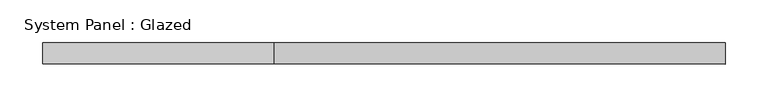
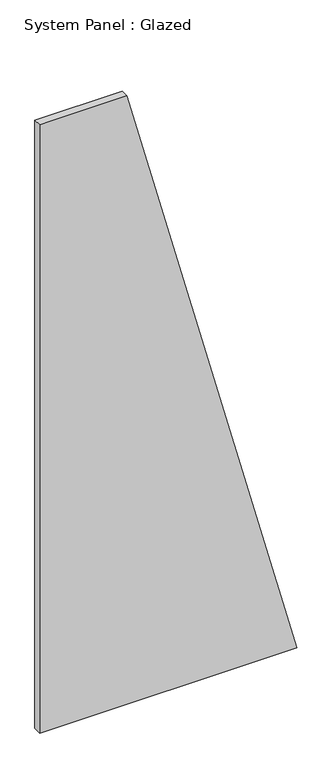
"""IFC4 building model written with IfcOpenShell, lengths in millimetres: plate geometry, System Panel : Glazed."""

import ifcopenshell
import ifcopenshell.guid

model = None  # the IFC model being written
_history = None  # IfcOwnerHistory: only IFC2X3 demands one
_inside = {}  # id of a spatial element -> (the spatial element, [elements in it])
_under = {}  # id of a project, library or spatial element -> (it, [spatial elements below it])
_declared = {}  # id of a project -> (the project, [libraries it declares])
_typed = {}  # id of a type object -> (the type object, [elements of that type])
_made_of = {}  # id of a material, layer set ... -> (it, [elements and type objects made of it])


def new_model(schema):
    """Start an empty IFC model of exactly this schema.

    Asked for "IFC4X3", IfcOpenShell would pick the latest addendum, in which some entities
    have other attributes; the version numbers below select the first issue.
    IFC2X3 requires an IfcOwnerHistory on every rooted entity: one is made here for all.
    """
    global model, _history
    if schema == "IFC4X3":
        model = ifcopenshell.file(schema_version=(4, 3, 0, 0))
    else:
        model = ifcopenshell.file(schema=schema)
    _inside.clear()
    _under.clear()
    _declared.clear()
    _typed.clear()
    _made_of.clear()
    _history = None
    if model.schema == "IFC2X3":
        org = make("IfcOrganization", Name="unknown")
        user = make(
            "IfcPersonAndOrganization",
            ThePerson=make("IfcPerson", FamilyName="unknown"),
            TheOrganization=org,
        )
        app = make(
            "IfcApplication",
            ApplicationDeveloper=org,
            Version="unknown",
            ApplicationFullName="unknown",
            ApplicationIdentifier="unknown",
        )
        _history = make(
            "IfcOwnerHistory",
            OwningUser=user,
            OwningApplication=app,
            ChangeAction="ADDED",
            CreationDate=0,
        )
    return model


def make(cls, **values):
    """One entity of the class cls with the attributes given. An attribute that is None is left unset."""
    return model.create_entity(
        cls, **{name: value for name, value in values.items() if value is not None}
    )


def rooted(cls, **values):
    """An entity with a GlobalId (a new one), such as an element, a storey or a relation."""
    return make(cls, GlobalId=ifcopenshell.guid.new(), OwnerHistory=_history, **values)


def si_unit(unit_type, name, prefix=None):
    """IfcSIUnit, for example si_unit("LENGTHUNIT", "METRE", prefix="MILLI")."""
    return make("IfcSIUnit", UnitType=unit_type, Prefix=prefix, Name=name)


def assignment(units):
    """IfcUnitAssignment: the units of a project."""
    return None if units is None else make("IfcUnitAssignment", Units=units)


def point(xyz):
    """IfcCartesianPoint."""
    return None if xyz is None else make("IfcCartesianPoint", Coordinates=xyz)


def direction(xyz):
    """IfcDirection."""
    return None if xyz is None else make("IfcDirection", DirectionRatios=xyz)


def frame(location, z_axis=None, x_axis=None):
    """IfcAxis2Placement3D, a coordinate frame: its origin and axes. An axis left out is left unset."""
    return make(
        "IfcAxis2Placement3D",
        Location=point(location),
        Axis=direction(z_axis),
        RefDirection=direction(x_axis),
    )


def origin():
    """The frame at (0, 0, 0) with its axes left unset."""
    return frame((0.0, 0.0, 0.0))


def place(relative_to, where):
    """IfcLocalPlacement: puts the frame where relative to a parent placement (None: the world)."""
    return make(
        "IfcLocalPlacement", PlacementRelTo=relative_to, RelativePlacement=where
    )


def context(
    kind, dimensions, precision=None, world=None, true_north=None, identifier=None
):
    """IfcGeometricRepresentationContext, for example the 3D "Model" context."""
    return make(
        "IfcGeometricRepresentationContext",
        ContextIdentifier=identifier,
        ContextType=kind,
        CoordinateSpaceDimension=dimensions,
        Precision=precision,
        WorldCoordinateSystem=world,
        TrueNorth=true_north,
    )


def project(units=None, contexts=None):
    """IfcProject with its units and contexts."""
    return rooted(
        "IfcProject",
        Name="project",
        RepresentationContexts=contexts,
        UnitsInContext=assignment(units),
    )


def spatial(cls, under=None, at=None, **own):
    """A site, building, storey or space (cls), placed at a placement, below another one or the project."""
    s = rooted(cls, ObjectPlacement=at, **own)
    if under is not None:
        _under.setdefault(under.id(), (under, []))[1].append(s)
    return s


def polyline(points):
    """IfcPolyline through the points."""
    return make("IfcPolyline", Points=[point(p) for p in points])


def outline(outer, holes=None, kind="AREA"):
    """IfcArbitraryClosedProfileDef: a profile drawn as a closed curve; with holes, ...WithVoids."""
    if holes is None:
        return make("IfcArbitraryClosedProfileDef", ProfileType=kind, OuterCurve=outer)
    return make(
        "IfcArbitraryProfileDefWithVoids",
        ProfileType=kind,
        OuterCurve=outer,
        InnerCurves=holes,
    )


def extrude(swept, where, along, depth):
    """IfcExtrudedAreaSolid: the profile swept, set in the frame where, extruded along a direction by depth."""
    return make(
        "IfcExtrudedAreaSolid",
        SweptArea=swept,
        Position=where,
        ExtrudedDirection=direction(along),
        Depth=depth,
    )


def shape(context_of_items, identifier, shape_type, items):
    """IfcShapeRepresentation: the items that make up one representation, for example the "Body"."""
    return make(
        "IfcShapeRepresentation",
        ContextOfItems=context_of_items,
        RepresentationIdentifier=identifier,
        RepresentationType=shape_type,
        Items=items,
    )


def source(mapping_origin, context_of_items, identifier, shape_type, items):
    """IfcRepresentationMap: a shape defined once, which mapped items show again and again."""
    return make(
        "IfcRepresentationMap",
        MappingOrigin=mapping_origin,
        MappedRepresentation=shape(context_of_items, identifier, shape_type, items),
    )


def transform(
    local_origin,
    x_axis=None,
    y_axis=None,
    z_axis=None,
    scale=None,
    scale2=None,
    scale3=None,
    uniform=True,
):
    """IfcCartesianTransformationOperator3D, or its non-uniform kind. x_axis, y_axis, z_axis: its Axis1, 2, 3."""
    if uniform:
        return make(
            "IfcCartesianTransformationOperator3D",
            Axis1=direction(x_axis),
            Axis2=direction(y_axis),
            LocalOrigin=point(local_origin),
            Scale=scale,
            Axis3=direction(z_axis),
        )
    return make(
        "IfcCartesianTransformationOperator3DnonUniform",
        Axis1=direction(x_axis),
        Axis2=direction(y_axis),
        LocalOrigin=point(local_origin),
        Scale=scale,
        Axis3=direction(z_axis),
        Scale2=scale2,
        Scale3=scale3,
    )


def mapped(mapping_source, mapping_target):
    """IfcMappedItem: shows the shape of a source again, moved by a transform."""
    return make(
        "IfcMappedItem", MappingSource=mapping_source, MappingTarget=mapping_target
    )


def made_of(thing, what):
    """Note that an element or type object is made of a material, layer set ...; save() writes the relation."""
    if what is not None:
        _made_of.setdefault(what.id(), (what, []))[1].append(thing)
    return thing


def element(
    cls,
    number,
    at=None,
    inside=None,
    cuts=None,
    type_object=None,
    material=None,
    context=None,
    identifier="Body",
    shape_type=None,
    held_by="IfcProductDefinitionShape",
    body=None,
    shapes=None,
    **own,
):
    """One element of the class cls, such as IfcWall. Its Tag is "e" and its number.

    at: its placement. inside: the storey or other place that contains it. cuts: it is an
    opening in that element (IfcRelVoidsElement). A single representation is given by context,
    identifier, shape_type and body (its items); several are given by shapes. held_by: the class
    of the entity that holds the representations. save() writes the other relations.
    """
    e = rooted(cls, Tag="e%d" % number, ObjectPlacement=at, **own)
    if body is not None:
        shapes = [shape(context, identifier, shape_type, body)]
    if shapes is not None:
        e.Representation = make(held_by, Representations=shapes)
    if inside is not None:
        _inside.setdefault(inside.id(), (inside, []))[1].append(e)
    if cuts is not None:
        rooted(
            "IfcRelVoidsElement", RelatingBuildingElement=cuts, RelatedOpeningElement=e
        )
    if type_object is not None:
        _typed.setdefault(type_object.id(), (type_object, []))[1].append(e)
    return made_of(e, material)


def aggregate(whole, parts):
    """IfcRelAggregates: a whole, such as a stair, and the parts it consists of."""
    return rooted("IfcRelAggregates", RelatingObject=whole, RelatedObjects=parts)


def save(model, path):
    """Write the relations noted so far, then the file.

    IfcRelAggregates (storeys below a building ...), IfcRelContainedInSpatialStructure (elements
    in a storey), IfcRelDefinesByType, IfcRelAssociatesMaterial and IfcRelDeclares: one each for
    every whole, place, type object, material and project.
    """
    for whole, parts in _under.values():
        aggregate(whole, parts)
    for where, things in _inside.values():
        rooted(
            "IfcRelContainedInSpatialStructure",
            RelatedElements=things,
            RelatingStructure=where,
        )
    for kind, things in _typed.values():
        rooted("IfcRelDefinesByType", RelatedObjects=things, RelatingType=kind)
    for what, things in _made_of.values():
        rooted("IfcRelAssociatesMaterial", RelatedObjects=things, RelatingMaterial=what)
    for by, libraries in _declared.values():
        rooted("IfcRelDeclares", RelatingContext=by, RelatedDefinitions=libraries)
    model.write(path)


def system_panel_glazed_31e82986(model_context):
    return source(origin(), model_context, "Body", "SweptSolid", [
        extrude(outline(polyline([(0.0, -399.9999998), (0.0, 399.9999998), (2000.0, -128.5714287), (2000.0, -399.9999998), (0.0, -399.9999998)])), frame((0.0, 24.5, 0.0), z_axis=(0.0, 1.0, 0.0), x_axis=(0.0, 0.0, 1.0)), (0.0, 0.0, 1.0), 25.0),
    ])


if __name__ == "__main__":
    model = new_model("IFC4")
    model_context = context("Model", 3, world=origin())
    ifc_project = project(units=[si_unit("LENGTHUNIT", "METRE", prefix="MILLI")], contexts=[model_context])
    site = spatial("IfcSite", under=ifc_project)
    building = spatial("IfcBuilding", under=site)
    placement = place(None, origin())
    system_panel_glazed_shape = system_panel_glazed_31e82986(model_context)
    element("IfcPlate", 1, ObjectType="System Panel : Glazed", at=placement, inside=building, context=model_context, shape_type="MappedRepresentation", body=[
        mapped(system_panel_glazed_shape, transform((0.0, 0.0, 0.0), x_axis=(1.0, 0.0, 0.0), y_axis=(0.0, 1.0, 0.0), z_axis=(0.0, 0.0, 1.0))),
    ])
    save(model, "model.ifc")
